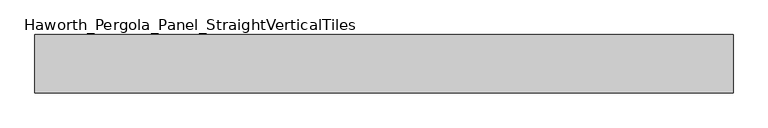
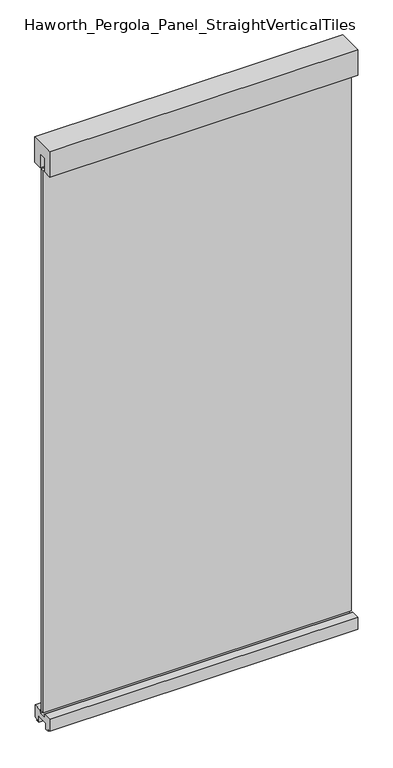
"""IFC4 building model written with IfcOpenShell, lengths in millimetres: furniture geometry, Haworth_Pergola_Panel_StraightVerticalTiles."""

from ifc_helpers import new_model, si_unit, frame, origin, place, context, project, spatial, polyline, outline, extrude, source, transform, mapped, element, save


def haworth_pergola_panel_straightverticaltiles_28c9461e(model_context):
    return source(origin(), model_context, "Body", "SweptSolid", [
        extrude(outline(polyline([(-571.5, 6.35), (647.7, 6.35), (647.7, -6.35), (-571.5, -6.35), (-571.5, 6.35)])), frame((0.0, 0.0, 63.5), z_axis=(0.0, 0.0, 1.0), x_axis=(1.0, 0.0, 0.0)), (0.0, 0.0, 1.0), 2268.3390625),
        extrude(outline(polyline([(-50.8, 2438.4), (50.8, 2438.4), (50.8, 2331.8390625), (15.2182948, 2331.8390625), (15.2182948, 2388.7001663), (-15.2182948, 2388.7001663), (-15.2182948, 2331.8390625), (-50.8, 2331.8390625), (-50.8, 2438.4)])), frame((-571.5, 0.0, 0.0), z_axis=(1.0, 0.0, 0.0), x_axis=(0.0, 1.0, 0.0)), (0.0, 0.0, 1.0), 1219.2),
        extrude(outline(polyline([(-16.2000002, 63.5), (-16.5085717, 61.7499999), (-13.3999996, 61.7499999), (-13.3999996, 58.8973461), (-15.4000002, 59.2499999), (-15.4000002, 48.3500004), (15.4000003, 48.3500004), (15.4000003, 59.2499999), (13.3999997, 58.8973461), (13.3999997, 61.7499999), (16.5085718, 61.7499999), (16.2000003, 63.5), (50.0000004, 63.5), (50.0000004, 12.6999985), (40.9499987, 12.6999985), (38.9499981, 10.6999979), (28.9499999, 10.6999979), (28.9499999, 7.6999994), (38.9499981, 7.6999994), (38.9499981, 5.6999988), (23.7499993, 5.6999988), (23.7499993, 31.4500009), (-23.7499992, 31.4500009), (-23.7499992, 5.6999988), (-38.949998, 5.6999988), (-38.949998, 7.6999994), (-28.9499998, 7.6999994), (-28.9499998, 10.6999979), (-38.949998, 10.6999979), (-40.9499986, 12.6999985), (-50.0000003, 12.6999985), (-50.0000003, 63.5), (-16.2000002, 63.5)])), frame((-571.5, 0.0, 0.0), z_axis=(1.0, 0.0, 0.0), x_axis=(0.0, 1.0, 0.0)), (0.0, 0.0, 1.0), 1219.2),
    ])


if __name__ == "__main__":
    model = new_model("IFC4")
    model_context = context("Model", 3, world=origin())
    ifc_project = project(units=[si_unit("LENGTHUNIT", "METRE", prefix="MILLI")], contexts=[model_context])
    site = spatial("IfcSite", under=ifc_project)
    building = spatial("IfcBuilding", under=site)
    placement = place(None, origin())
    haworth_pergola_panel_straightverticaltiles_shape = haworth_pergola_panel_straightverticaltiles_28c9461e(model_context)
    element("IfcFurniture", 1, ObjectType="Haworth_Pergola_Panel_StraightVerticalTiles", at=placement, inside=building, context=model_context, shape_type="MappedRepresentation", body=[
        mapped(haworth_pergola_panel_straightverticaltiles_shape, transform((0.0, 0.0, 0.0), x_axis=(1.0, 0.0, 0.0), y_axis=(0.0, 1.0, 0.0), z_axis=(0.0, 0.0, 1.0))),
    ])
    save(model, "model.ifc")
